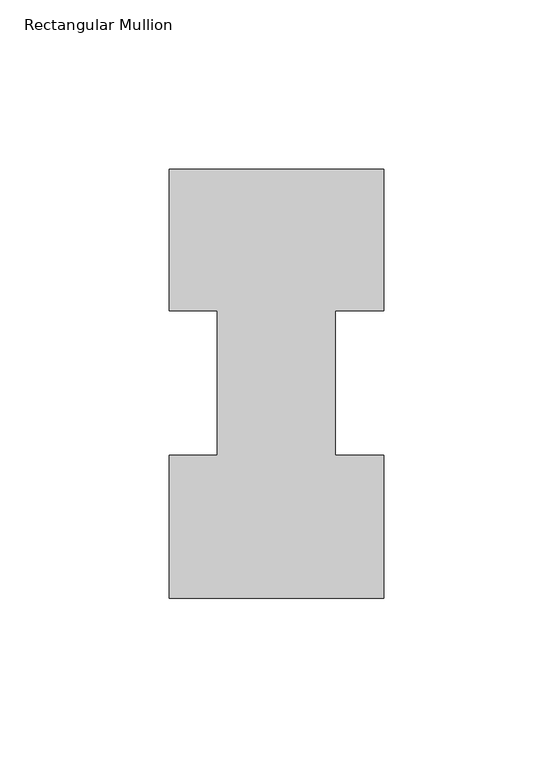
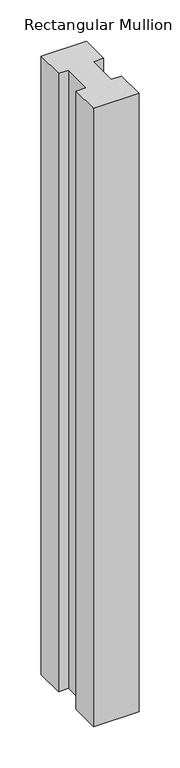
"""IFC4 building model written with IfcOpenShell, lengths in millimetres: member geometry, Rectangular Mullion."""

from ifc_helpers import new_model, si_unit, frame, origin, place, context, project, spatial, polyline, outline, extrude, source, transform, mapped, element, save


def rectangular_mullion_f89cb3f5(model_context):
    return source(origin(), model_context, "Body", "SweptSolid", [
        extrude(outline(polyline([(31.75, 126.9888875), (31.75, 85.1296875), (17.4635851, 85.1296875), (17.4635851, 42.2798875), (31.75, 42.2798875), (31.75, -0.0111125), (-31.75, -0.0111125), (-31.75, 42.2798875), (-17.4635851, 42.2798875), (-17.4635851, 85.1296875), (-31.75, 85.1296875), (-31.75, 126.9888875), (31.75, 126.9888875)])), frame((0.0, 0.0, -914.4), z_axis=(0.0, 0.0, 1.0), x_axis=(1.0, 0.0, 0.0)), (0.0, 0.0, 1.0), 914.4),
    ])


if __name__ == "__main__":
    model = new_model("IFC4")
    model_context = context("Model", 3, world=origin())
    ifc_project = project(units=[si_unit("LENGTHUNIT", "METRE", prefix="MILLI")], contexts=[model_context])
    site = spatial("IfcSite", under=ifc_project)
    building = spatial("IfcBuilding", under=site)
    placement = place(None, origin())
    rectangular_mullion_shape = rectangular_mullion_f89cb3f5(model_context)
    element("IfcMember", 1, ObjectType="Rectangular Mullion", at=placement, inside=building, context=model_context, shape_type="MappedRepresentation", body=[
        mapped(rectangular_mullion_shape, transform((0.0, 0.0, 0.0), x_axis=(1.0, 0.0, 0.0), y_axis=(0.0, 1.0, 0.0), z_axis=(0.0, 0.0, 1.0))),
    ])
    save(model, "model.ifc")
